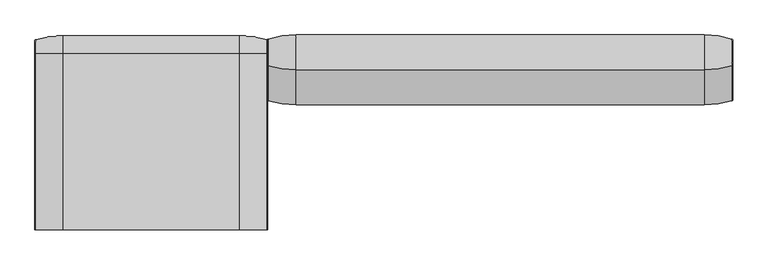
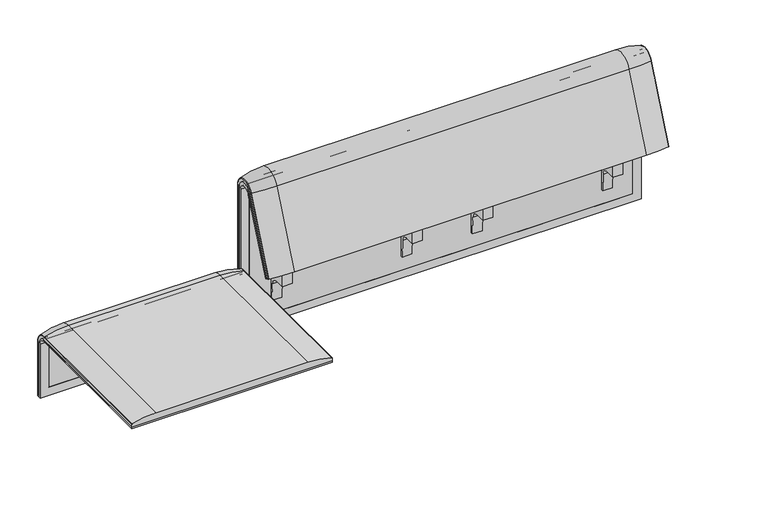
"""IFC4 building model written with IfcOpenShell, lengths in millimetres: furniture geometry."""

from ifc_helpers import new_model, si_unit, point, frame, frame_2d, origin, place, context, project, spatial, polyline, circle_curve, ellipse_curve, trimmed, segment, composite_curve, outline, extrude, source, transform, mapped, element, save
from ifc_brep_helpers import plane_surface, cylinder_surface, revolved_surface, advanced_brep


def furniture_42e95c1f(model_context):
    return source(origin(), model_context, "Body", "SolidModel", [
        extrude(outline(composite_curve([segment(trimmed(circle_curve(frame_2d((305.0000061, 379.9223263)), 30.0), [point((305.0000061, 349.9223263))], [point((335.0000061, 379.9223263))], True, "CARTESIAN"), True, "CONTINUOUS"), segment(polyline([(335.0000061, 379.9223263), (335.0000061, 515.0657595)]), True, "CONTINUOUS"), segment(trimmed(circle_curve(frame_2d((305.0000061, 515.0657595)), 30.0), [point((335.0000061, 515.0657595))], [point((316.7219399, 542.6809051))], True, "CARTESIAN"), True, "CONTINUOUS"), segment(polyline([(316.7219399, 542.6809051), (257.4911714, 567.8228747)]), True, "CONTINUOUS"), segment(trimmed(circle_curve(frame_2d((251.6302045, 554.0153019)), 15.0), [point((257.4911714, 567.8228747))], [point((238.0355877, 560.3545758))], True, "CARTESIAN"), True, "CONTINUOUS"), segment(polyline([(238.0355877, 560.3545758), (222.2725218, 526.5505721), (213.7507451, 529.5682915), (296.3054528, 724.0549949)]), True, "CONTINUOUS"), segment(trimmed(circle_curve(frame_2d((322.520748, 712.9272623)), 28.479258), [point((296.3054528, 724.0549949))], [point((351.0000061, 712.9272623))], False, "CARTESIAN"), True, "CONTINUOUS"), segment(polyline([(351.0000061, 712.9272623), (351.0000061, 197.0551771), (343.3075759, 197.0551771), (339.4064861, 271.492405)]), True, "CONTINUOUS"), segment(trimmed(circle_curve(frame_2d((309.4476, 269.9223263)), 30.0), [point((339.4064861, 271.492405))], [point((309.4476, 299.9223263))], True, "CARTESIAN"), True, "CONTINUOUS"), segment(polyline([(309.4476, 299.9223263), (270.0000061, 299.9223263), (270.0000061, 359.9223263), (275.0000061, 359.9223263)]), True, "CONTINUOUS"), segment(trimmed(circle_curve(frame_2d((285.0000061, 359.9223263)), 10.0), [point((275.0000061, 359.9223263))], [point((285.0000061, 349.9223263))], True, "CARTESIAN"), True, "CONTINUOUS"), segment(polyline([(285.0000061, 349.9223263), (305.0000061, 349.9223263)]), True, "CONTINUOUS")], self_intersect=False), holes=[composite_curve([segment(polyline([(337.5000061, 576.3274105), (337.5000061, 716.7072663)]), True, "CONTINUOUS"), segment(trimmed(circle_curve(frame_2d((322.5000061, 716.7072663)), 15.0), [point((337.5000061, 716.7072663))], [point((308.9053893, 723.0465402))], True, "CARTESIAN"), True, "CONTINUOUS"), segment(polyline([(308.9053893, 723.0465402), (253.6256191, 604.4986904)]), True, "CONTINUOUS"), segment(trimmed(circle_curve(frame_2d((271.7517748, 596.0463251)), 20.0), [point((253.6256191, 604.4986904))], [point((265.0756376, 577.1934953))], True, "CARTESIAN"), True, "CONTINUOUS"), segment(polyline([(265.0756376, 577.1934953), (314.1406626, 559.8186587)]), True, "CONTINUOUS"), segment(trimmed(circle_curve(frame_2d((319.9867182, 576.3274105)), 17.5132879), [point((314.1406626, 559.8186587))], [point((337.5000061, 576.3274105))], True, "CARTESIAN"), True, "CONTINUOUS")], self_intersect=False)]), frame((531.0360844, 0.0, 0.0), z_axis=(1.0, 0.0, 0.0), x_axis=(0.0, 1.0, 0.0)), (0.0, 0.0, 1.0), 40.0),
        extrude(outline(composite_curve([segment(trimmed(circle_curve(frame_2d((305.0000061, 379.9223263)), 30.0), [point((305.0000061, 349.9223263))], [point((335.0000061, 379.9223263))], True, "CARTESIAN"), True, "CONTINUOUS"), segment(polyline([(335.0000061, 379.9223263), (335.0000061, 515.0657595)]), True, "CONTINUOUS"), segment(trimmed(circle_curve(frame_2d((305.0000061, 515.0657595)), 30.0), [point((335.0000061, 515.0657595))], [point((316.7219399, 542.6809051))], True, "CARTESIAN"), True, "CONTINUOUS"), segment(polyline([(316.7219399, 542.6809051), (257.4911714, 567.8228747)]), True, "CONTINUOUS"), segment(trimmed(circle_curve(frame_2d((251.6302045, 554.0153019)), 15.0), [point((257.4911714, 567.8228747))], [point((238.0355877, 560.3545758))], True, "CARTESIAN"), True, "CONTINUOUS"), segment(polyline([(238.0355877, 560.3545758), (222.2725218, 526.5505721), (213.7507451, 529.5682915), (296.3054528, 724.0549949)]), True, "CONTINUOUS"), segment(trimmed(circle_curve(frame_2d((322.520748, 712.9272623)), 28.479258), [point((296.3054528, 724.0549949))], [point((351.0000061, 712.9272623))], False, "CARTESIAN"), True, "CONTINUOUS"), segment(polyline([(351.0000061, 712.9272623), (351.0000061, 197.0551771), (343.3075759, 197.0551771), (339.4064861, 271.492405)]), True, "CONTINUOUS"), segment(trimmed(circle_curve(frame_2d((309.4476, 269.9223263)), 30.0), [point((339.4064861, 271.492405))], [point((309.4476, 299.9223263))], True, "CARTESIAN"), True, "CONTINUOUS"), segment(polyline([(309.4476, 299.9223263), (270.0000061, 299.9223263), (270.0000061, 359.9223263), (275.0000061, 359.9223263)]), True, "CONTINUOUS"), segment(trimmed(circle_curve(frame_2d((285.0000061, 359.9223263)), 10.0), [point((275.0000061, 359.9223263))], [point((285.0000061, 349.9223263))], True, "CARTESIAN"), True, "CONTINUOUS"), segment(polyline([(285.0000061, 349.9223263), (305.0000061, 349.9223263)]), True, "CONTINUOUS")], self_intersect=False), holes=[composite_curve([segment(polyline([(337.5000061, 576.3274105), (337.5000061, 716.7072663)]), True, "CONTINUOUS"), segment(trimmed(circle_curve(frame_2d((322.5000061, 716.7072663)), 15.0), [point((337.5000061, 716.7072663))], [point((308.9053893, 723.0465402))], True, "CARTESIAN"), True, "CONTINUOUS"), segment(polyline([(308.9053893, 723.0465402), (253.6256191, 604.4986904)]), True, "CONTINUOUS"), segment(trimmed(circle_curve(frame_2d((271.7517748, 596.0463251)), 20.0), [point((253.6256191, 604.4986904))], [point((265.0756376, 577.1934953))], True, "CARTESIAN"), True, "CONTINUOUS"), segment(polyline([(265.0756376, 577.1934953), (314.1406626, 559.8186587)]), True, "CONTINUOUS"), segment(trimmed(circle_curve(frame_2d((319.9867182, 576.3274105)), 17.5132879), [point((314.1406626, 559.8186587))], [point((337.5000061, 576.3274105))], True, "CARTESIAN"), True, "CONTINUOUS")], self_intersect=False)]), frame((1061.025678, 0.0, 0.0), z_axis=(1.0, 0.0, 0.0), x_axis=(0.0, 1.0, 0.0)), (0.0, 0.0, 1.0), 40.0),
        advanced_brep(
        [(1224.0380498, 351.0000061, 101.8476716), (1224.0380498, 359.7858817, 101.8476716), (1224.0380498, 359.7858817, 720.3417731), (1224.0380498, 292.4403877, 733.7122262), (1224.0380498, 170.1966807, 437.98305), (1224.0380498, 175.0204081, 435.9866665), (1224.0380498, 296.2458652, 723.9869215), (1224.0380498, 351.0000061, 712.9272623), (-407.9575362, 351.0000061, 101.8476716), (-407.9575362, 351.0000061, 712.9272623), (-407.9575362, 296.2720241, 723.9759107), (-407.9575362, 175.0204081, 435.9866665), (-407.9575362, 170.1966807, 437.98305), (-407.9575362, 292.4403877, 733.7122262), (-407.9575362, 359.7858817, 720.3417731), (-407.9575362, 359.7858817, 101.8476716), (1189.1215056, 292.4403877, 733.7122262), (1189.1215056, 176.0980387, 452.25948), (-373.0740803, 176.0980387, 452.25948), (-373.0740803, 292.4403877, 733.7122262), (-373.0740803, 296.2458652, 723.9869215), (-373.0740803, 181.0136548, 450.2250668), (1189.1215056, 181.0136548, 450.2250668), (1189.1215056, 296.2458652, 723.9869215), (1189.1215056, 351.0000061, 712.9272623), (1189.1215056, 351.0000061, 135.3766997), (-373.0740803, 351.0000061, 135.3766997), (-373.0740803, 351.0000061, 712.9272623), (-373.0740803, 359.7858817, 720.3417731), (-373.0740803, 359.7858817, 135.3766997), (1189.1215056, 359.7858817, 135.3766997), (1189.1215056, 359.7858817, 720.3417731)],
        [
            (0, 1),
            (1, 2),
            (2, 3, circle_curve(frame((1224.0380498, 324.7858817, 720.3417731), z_axis=(1.0, 0.0, 0.0), x_axis=(0.0, -1.0, 0.0)), 35.0)),
            (3, 4),
            (4, 5),
            (5, 6),
            (6, 7, circle_curve(frame((1224.0380498, 322.520748, 712.9272623), z_axis=(-1.0, 0.0, 0.0), x_axis=(0.0, -1.0, 0.0)), 28.479258)),
            (7, 0),
            (8, 9),
            (9, 10, circle_curve(frame((-407.9575362, 322.520748, 712.9272623), z_axis=(1.0, 0.0, 0.0), x_axis=(0.0, -1.0, 0.0)), 28.479258)),
            (10, 11),
            (11, 12),
            (12, 13),
            (13, 14, circle_curve(frame((-407.9575362, 324.7858817, 720.3417731), z_axis=(-1.0, 0.0, 0.0), x_axis=(0.0, -1.0, 0.0)), 35.0)),
            (14, 15),
            (15, 8),
            (3, 16),
            (16, 17),
            (17, 18),
            (18, 19),
            (19, 13),
            (12, 4),
            (11, 5),
            (10, 20),
            (20, 21),
            (21, 22),
            (22, 23),
            (23, 6),
            (7, 24),
            (24, 25),
            (25, 26),
            (26, 27),
            (27, 9),
            (8, 0),
            (15, 1),
            (14, 28),
            (28, 29),
            (29, 30),
            (30, 31),
            (31, 2),
            (31, 16, circle_curve(frame((1189.1215056, 324.7858817, 720.3417731), z_axis=(1.0, 0.0, 0.0), x_axis=(0.0, -1.0, 0.0)), 35.0)),
            (19, 28, circle_curve(frame((-373.0740803, 324.7858817, 720.3417731), z_axis=(-1.0, 0.0, 0.0), x_axis=(0.0, -1.0, 0.0)), 35.0)),
            (23, 24, circle_curve(frame((1189.1215056, 322.520748, 712.9272623), z_axis=(-1.0, 0.0, 0.0), x_axis=(0.0, -1.0, 0.0)), 28.479258)),
            (27, 20, circle_curve(frame((-373.0740803, 322.520748, 712.9272623), z_axis=(1.0, 0.0, 0.0), x_axis=(0.0, -1.0, 0.0)), 28.479258)),
            (22, 17),
            (30, 25),
            (26, 29),
            (18, 21),
        ],
        [
            plane_surface(frame((1224.0380498, 359.7858817, 101.8476716), z_axis=(1.0, 0.0, 0.0), x_axis=(0.0, 1.0, 0.0))),
            plane_surface(frame((-407.9575362, 359.7858817, 101.8476716), z_axis=(-1.0, 0.0, 0.0), x_axis=(0.0, -1.0, 0.0))),
            plane_surface(frame((1224.0380498, 292.4403877, 733.7122262), z_axis=(0.0, -0.9241569717933176, 0.3820129467515535), x_axis=(-1.0, 0.0, 0.0))),
            plane_surface(frame((1224.0380498, 170.1966807, 437.98305), z_axis=(0.0, -0.3824103944198279, -0.9239925812687414), x_axis=(-1.0, 0.0, 0.0))),
            plane_surface(frame((1224.0380498, 175.0204081, 435.9866665), z_axis=(0.0, 0.921678643444566, -0.3879542218073993), x_axis=(-1.0, 0.0, 0.0))),
            plane_surface(frame((1224.0380498, 351.0000061, 712.9272623), z_axis=(0.0, -1.0, 0.0), x_axis=(-1.0, 0.0, 0.0))),
            plane_surface(frame((1224.0380498, 351.0000061, 101.8476716), z_axis=(0.0, 0.0, -1.0), x_axis=(-1.0, 0.0, 0.0))),
            plane_surface(frame((1224.0380498, 359.7858817, 101.8476716), z_axis=(0.0, 1.0, 0.0), x_axis=(-1.0, 0.0, 0.0))),
            cylinder_surface(frame((-407.9575362, 324.7858817, 720.3417731), z_axis=(1.0, 0.0, 0.0), x_axis=(0.0, -1.0, 0.0)), 35.0),
            revolved_surface(polyline([(1189.1215056, 294.04149, 712.9272623), (1224.0380498, 294.04149, 712.9272623)]), (-407.9575362, 322.520748, 712.9272623), (-1.0, 0.0, 0.0)),
            revolved_surface(polyline([(-407.9575362, 294.04149, 712.9272623), (-373.0740803, 294.04149, 712.9272623)]), (-407.9575362, 322.520748, 712.9272623), (-1.0, 0.0, 0.0)),
            plane_surface(frame((1189.1215056, 359.7858817, 135.3766997), z_axis=(-1.0, 0.0, 0.0), x_axis=(0.0, 1.0, 0.0))),
            plane_surface(frame((-373.0740803, 359.7858817, 135.3766997), z_axis=(1.0, 0.0, 0.0), x_axis=(0.0, -1.0, 0.0))),
            plane_surface(frame((1189.1215056, 166.9120641, 456.0612553), z_axis=(0.0, 0.38241039441982605, 0.9239925812687422), x_axis=(-1.0, 0.0, 0.0))),
            plane_surface(frame((1189.1215056, 344.7858817, 135.3766997), z_axis=(0.0, 0.0, 1.0), x_axis=(-1.0, 0.0, 0.0))),
        ],
        [
            (0, [[1, 2, 3, 4, 5, 6, 7, 8]]),
            (1, [[9, 10, 11, 12, 13, 14, 15, 16]]),
            (2, [[-4, 17, 18, 19, 20, 21, -13, 22]]),
            (3, [[-5, -22, -12, 23]]),
            (4, [[-6, -23, -11, 24, 25, 26, 27, 28]]),
            (5, [[-8, 29, 30, 31, 32, 33, -9, 34]]),
            (6, [[-1, -34, -16, 35]]),
            (7, [[-2, -35, -15, 36, 37, 38, 39, 40]]),
            (8, [[-3, -40, 41, -17]]),
            (8, [[-14, -21, 42, -36]]),
            (9, [[-7, -28, 43, -29]]),
            (10, [[-10, -33, 44, -24]]),
            (11, [[45, -18, -41, -39, 46, -30, -43, -27]]),
            (12, [[47, -37, -42, -20, 48, -25, -44, -32]]),
            (13, [[-45, -26, -48, -19]]),
            (14, [[-46, -38, -47, -31]]),
        ],
    ),
        advanced_brep(
        [(1189.1215056, 351.0000061, 135.3766997), (1189.1215056, 359.7858817, 135.3766997), (1189.1215056, 359.7858817, 720.3417731), (1189.1215056, 292.4403877, 733.7122262), (1189.1215056, 176.0980387, 452.25948), (1189.1215056, 181.0136548, 450.2250668), (1189.1215056, 296.2458652, 723.9869215), (1189.1215056, 351.0000061, 712.9272623), (-373.0740803, 351.0000061, 135.3766997), (-373.0740803, 351.0000061, 712.9272623), (-373.0740803, 296.2720241, 723.9759107), (-373.0740803, 181.0136548, 450.2250668), (-373.0740803, 176.0980387, 452.25948), (-373.0740803, 292.4403877, 733.7122262), (-373.0740803, 359.7858817, 720.3417731), (-373.0740803, 359.7858817, 135.3766997)],
        [
            (0, 1),
            (1, 2),
            (2, 3, circle_curve(frame((1189.1215056, 324.7858817, 720.3417731), z_axis=(1.0, 0.0, 0.0), x_axis=(0.0, -1.0, 0.0)), 35.0)),
            (3, 4),
            (4, 5),
            (5, 6),
            (6, 7, circle_curve(frame((1189.1215056, 322.520748, 712.9272623), z_axis=(-1.0, 0.0, 0.0), x_axis=(0.0, -1.0, 0.0)), 28.479258)),
            (7, 0),
            (8, 9),
            (9, 10, circle_curve(frame((-373.0740803, 322.520748, 712.9272623), z_axis=(1.0, 0.0, 0.0), x_axis=(0.0, -1.0, 0.0)), 28.479258)),
            (10, 11),
            (11, 12),
            (12, 13),
            (13, 14, circle_curve(frame((-373.0740803, 324.7858817, 720.3417731), z_axis=(-1.0, 0.0, 0.0), x_axis=(0.0, -1.0, 0.0)), 35.0)),
            (14, 15),
            (15, 8),
            (3, 13),
            (12, 4),
            (11, 5),
            (10, 6),
            (7, 9),
            (8, 0),
            (15, 1),
            (14, 2),
        ],
        [
            plane_surface(frame((1189.1215056, 359.7858817, 135.3766997), z_axis=(1.0, 0.0, 0.0), x_axis=(0.0, 1.0, 0.0))),
            plane_surface(frame((-373.0740803, 359.7858817, 135.3766997), z_axis=(-1.0, 0.0, 0.0), x_axis=(0.0, -1.0, 0.0))),
            plane_surface(frame((1189.1215056, 292.4403877, 733.7122262), z_axis=(0.0, -0.9241569717933176, 0.3820129467515535), x_axis=(-1.0, 0.0, 0.0))),
            plane_surface(frame((1189.1215056, 176.0980387, 452.25948), z_axis=(0.0, -0.38241039441982716, -0.9239925812687417), x_axis=(-1.0, 0.0, 0.0))),
            plane_surface(frame((1189.1215056, 181.0136548, 450.2250668), z_axis=(0.0, 0.921678643444566, -0.3879542218073993), x_axis=(-1.0, 0.0, 0.0))),
            plane_surface(frame((1189.1215056, 351.0000061, 712.9272623), z_axis=(0.0, -1.0, 0.0), x_axis=(-1.0, 0.0, 0.0))),
            plane_surface(frame((1189.1215056, 351.0000061, 135.3766997), z_axis=(0.0, 0.0, -1.0), x_axis=(-1.0, 0.0, 0.0))),
            plane_surface(frame((1189.1215056, 359.7858817, 135.3766997), z_axis=(0.0, 1.0, 0.0), x_axis=(-1.0, 0.0, 0.0))),
            cylinder_surface(frame((-373.0740803, 324.7858817, 720.3417731), z_axis=(1.0, 0.0, 0.0), x_axis=(0.0, -1.0, 0.0)), 35.0),
            revolved_surface(polyline([(-373.0740803, 294.04149, 712.9272623), (1189.1215056, 294.04149, 712.9272623)]), (-373.0740803, 322.520748, 712.9272623), (-1.0, 0.0, 0.0)),
        ],
        [
            (0, [[1, 2, 3, 4, 5, 6, 7, 8]]),
            (1, [[9, 10, 11, 12, 13, 14, 15, 16]]),
            (2, [[-4, 17, -13, 18]]),
            (3, [[-5, -18, -12, 19]]),
            (4, [[-6, -19, -11, 20]]),
            (5, [[-8, 21, -9, 22]]),
            (6, [[-1, -22, -16, 23]]),
            (7, [[-2, -23, -15, 24]]),
            (8, [[-3, -24, -14, -17]]),
            (9, [[-7, -20, -10, -21]]),
        ],
    ),
        extrude(outline(composite_curve([segment(trimmed(circle_curve(frame_2d((305.0000061, 379.9223263)), 30.0), [point((305.0000061, 349.9223263))], [point((335.0000061, 379.9223263))], True, "CARTESIAN"), True, "CONTINUOUS"), segment(polyline([(335.0000061, 379.9223263), (335.0000061, 515.0657595)]), True, "CONTINUOUS"), segment(trimmed(circle_curve(frame_2d((305.0000061, 515.0657595)), 30.0), [point((335.0000061, 515.0657595))], [point((316.7219399, 542.6809051))], True, "CARTESIAN"), True, "CONTINUOUS"), segment(polyline([(316.7219399, 542.6809051), (257.4911714, 567.8228747)]), True, "CONTINUOUS"), segment(trimmed(circle_curve(frame_2d((251.6302045, 554.0153019)), 15.0), [point((257.4911714, 567.8228747))], [point((238.0355877, 560.3545758))], True, "CARTESIAN"), True, "CONTINUOUS"), segment(polyline([(238.0355877, 560.3545758), (222.2725218, 526.5505721), (213.7507451, 529.5682915), (296.3054528, 724.0549949)]), True, "CONTINUOUS"), segment(trimmed(circle_curve(frame_2d((322.520748, 712.9272623)), 28.479258), [point((296.3054528, 724.0549949))], [point((351.0000061, 712.9272623))], False, "CARTESIAN"), True, "CONTINUOUS"), segment(polyline([(351.0000061, 712.9272623), (351.0000061, 197.0551771), (343.3075759, 197.0551771), (339.4064861, 271.492405)]), True, "CONTINUOUS"), segment(trimmed(circle_curve(frame_2d((309.4476, 269.9223263)), 30.0), [point((339.4064861, 271.492405))], [point((309.4476, 299.9223263))], True, "CARTESIAN"), True, "CONTINUOUS"), segment(polyline([(309.4476, 299.9223263), (270.0000061, 299.9223263), (270.0000061, 359.9223263), (275.0000061, 359.9223263)]), True, "CONTINUOUS"), segment(trimmed(circle_curve(frame_2d((285.0000061, 359.9223263)), 10.0), [point((275.0000061, 359.9223263))], [point((285.0000061, 349.9223263))], True, "CARTESIAN"), True, "CONTINUOUS"), segment(polyline([(285.0000061, 349.9223263), (305.0000061, 349.9223263)]), True, "CONTINUOUS")], self_intersect=False), holes=[composite_curve([segment(polyline([(337.5000061, 576.3274105), (337.5000061, 716.7072663)]), True, "CONTINUOUS"), segment(trimmed(circle_curve(frame_2d((322.5000061, 716.7072663)), 15.0), [point((337.5000061, 716.7072663))], [point((308.9053893, 723.0465402))], True, "CARTESIAN"), True, "CONTINUOUS"), segment(polyline([(308.9053893, 723.0465402), (253.6256191, 604.4986904)]), True, "CONTINUOUS"), segment(trimmed(circle_curve(frame_2d((271.7517748, 596.0463251)), 20.0), [point((253.6256191, 604.4986904))], [point((265.0756376, 577.1934953))], True, "CARTESIAN"), True, "CONTINUOUS"), segment(polyline([(265.0756376, 577.1934953), (314.1406626, 559.8186587)]), True, "CONTINUOUS"), segment(trimmed(circle_curve(frame_2d((319.9867182, 576.3274105)), 17.5132879), [point((314.1406626, 559.8186587))], [point((337.5000061, 576.3274105))], True, "CARTESIAN"), True, "CONTINUOUS")], self_intersect=False)]), frame((245.0113409, 0.0, 0.0), z_axis=(1.0, 0.0, 0.0), x_axis=(0.0, 1.0, 0.0)), (0.0, 0.0, 1.0), 40.0),
        advanced_brep(
        [(1124.0380498, 388.2902376, 100.5089435), (1221.8994213, 373.93893, 100.5089435), (1224.0380498, 371.0652495, 100.5089435), (1224.0380498, 359.7858817, 100.5089435), (-407.9906244, 359.7858817, 100.5089435), (-407.9906244, 371.0652495, 100.5089435), (-405.8519959, 373.93893, 100.5089435), (-307.9906244, 388.2902376, 100.5089435), (-307.9906244, 388.2902376, 720.3417731), (1124.0380498, 388.2902376, 720.3417731), (1221.8994213, 373.93893, 720.3417731), (1224.0380498, 371.0652495, 720.3417731), (1224.0380498, 282.0164812, 738.0210907), (1224.0380498, 159.7723383, 442.2908598), (1224.0380498, 170.1962447, 437.9819952), (1224.0380498, 292.4403877, 733.7122262), (1224.0380498, 359.7858817, 720.3417731), (-407.9906244, 359.7858817, 720.3417731), (1124.0380498, 143.8537454, 448.8710282), (-307.9906244, 143.8537454, 448.8710282), (-405.8519959, 157.1166065, 443.3886429), (-407.9906244, 159.7723383, 442.2908598), (-407.9906244, 170.1962447, 437.9819952), (1221.8994213, 157.1166065, 443.3886429), (1124.0380498, 266.0978884, 744.6012592), (-307.9906244, 266.0978884, 744.6012592), (1221.8994213, 279.3607494, 739.1188739), (-407.9906244, 292.4403877, 733.7122262), (-407.9906244, 282.0164812, 738.0210907), (-407.9906244, 371.0652495, 720.3417731), (-405.8519959, 373.93893, 720.3417731), (-405.8519959, 279.3607494, 739.1188739)],
        [
            (0, 1, circle_curve(frame((1124.0380498, 47.4569043, 100.5089435), z_axis=(0.0, 0.0, -1.0), x_axis=(0.0, -1.0, 0.0)), 340.8333333)),
            (1, 2, circle_curve(frame((1221.0380498, 371.0652495, 100.5089435), z_axis=(0.0, 0.0, -1.0), x_axis=(1.0, 0.0, 0.0)), 3.0)),
            (2, 3),
            (3, 4),
            (4, 5),
            (5, 6, circle_curve(frame((-404.9906244, 371.0652495, 100.5089435), z_axis=(0.0, 0.0, -1.0), x_axis=(-1.0, 0.0, 0.0)), 3.0)),
            (6, 7, circle_curve(frame((-307.9906244, 47.4569043, 100.5089435), z_axis=(0.0, 0.0, -1.0), x_axis=(0.0, -1.0, 0.0)), 340.8333333)),
            (7, 0),
            (7, 8),
            (8, 9),
            (9, 0),
            (9, 10, circle_curve(frame((1124.0380498, 47.4569043, 720.3417731), z_axis=(0.0, 0.0, -1.0), x_axis=(0.0, -1.0, 0.0)), 340.8333333)),
            (10, 1),
            (10, 11, circle_curve(frame((1221.0380498, 371.0652495, 720.3417731), z_axis=(0.0, 0.0, -1.0), x_axis=(1.0, 0.0, 0.0)), 3.0)),
            (11, 2),
            (11, 12, circle_curve(frame((1224.0380498, 324.7858817, 720.3417731), z_axis=(1.0, 0.0, 0.0), x_axis=(0.0, 1.0, 0.0)), 46.2793679)),
            (12, 13),
            (13, 14),
            (14, 15),
            (15, 16, circle_curve(frame((1224.0380498, 324.7858817, 720.3417731), z_axis=(-1.0, 0.0, 0.0), x_axis=(0.0, 1.0, 0.0)), 35.0)),
            (16, 3),
            (16, 17),
            (17, 4),
            (18, 19),
            (19, 20, circle_curve(frame((-307.9906244, 458.8372467, 318.6682822), z_axis=(0.0, -0.38201294675155345, -0.9241569717933176), x_axis=(0.0, 0.9241569717933176, -0.38201294675155345)), 340.8333333)),
            (20, 21, circle_curve(frame((-404.9906244, 159.7723383, 442.2908598), z_axis=(0.0, -0.38201294675155345, -0.9241569717933176), x_axis=(-1.0, 0.0, 0.0)), 3.0)),
            (21, 22),
            (22, 14),
            (13, 23, circle_curve(frame((1221.0380498, 159.7723383, 442.2908598), z_axis=(0.0, -0.38201294675155345, -0.9241569717933176), x_axis=(1.0, 0.0, 0.0)), 3.0)),
            (23, 18, circle_curve(frame((1124.0380498, 458.8372467, 318.6682822), z_axis=(0.0, -0.38201294675155345, -0.9241569717933176), x_axis=(0.0, 0.9241569717933176, -0.38201294675155345)), 340.8333333)),
            (24, 9, circle_curve(frame((1124.0380498, 324.7858817, 720.3417731), z_axis=(-1.0, 0.0, 0.0), x_axis=(0.0, 1.0, 0.0)), 63.5043559)),
            (8, 25, circle_curve(frame((-307.9906244, 324.7858817, 720.3417731), z_axis=(1.0, 0.0, 0.0), x_axis=(0.0, 1.0, 0.0)), 63.5043559)),
            (25, 24),
            (26, 10, circle_curve(frame((1221.8994213, 324.7858817, 720.3417731), z_axis=(-1.0, 0.0, 0.0), x_axis=(0.0, 1.0, 0.0)), 49.1530483)),
            (24, 26, circle_curve(frame((1124.0380498, 581.0813896, 614.3985132), z_axis=(0.0, 0.3820129467515556, 0.9241569717933167), x_axis=(0.0, 0.9241569717933167, -0.3820129467515556)), 340.8333333)),
            (26, 12, circle_curve(frame((1221.0380498, 282.0164812, 738.0210907), z_axis=(0.0, 0.3820129467515548, 0.924156971793317), x_axis=(1.0, 0.0, 0.0)), 3.0)),
            (27, 17, circle_curve(frame((-407.9906244, 324.7858817, 720.3417731), z_axis=(-1.0, 0.0, 0.0), x_axis=(0.0, 1.0, 0.0)), 35.0)),
            (15, 27),
            (25, 19),
            (18, 24),
            (23, 26),
            (22, 27),
            (21, 28),
            (28, 29, circle_curve(frame((-407.9906244, 324.7858817, 720.3417731), z_axis=(-1.0, 0.0, 0.0), x_axis=(0.0, 1.0, 0.0)), 46.2793679)),
            (29, 5),
            (29, 30, circle_curve(frame((-404.9906244, 371.0652495, 720.3417731), z_axis=(0.0, 0.0, -1.0), x_axis=(-1.0, 0.0, 0.0)), 3.0)),
            (30, 6),
            (30, 8, circle_curve(frame((-307.9906244, 47.4569043, 720.3417731), z_axis=(0.0, 0.0, -1.0), x_axis=(0.0, -1.0, 0.0)), 340.8333333)),
            (31, 30, circle_curve(frame((-405.8519959, 324.7858817, 720.3417731), z_axis=(-1.0, 0.0, 0.0), x_axis=(0.0, 1.0, 0.0)), 49.1530483)),
            (28, 31, circle_curve(frame((-404.9906244, 282.0164812, 738.0210907), z_axis=(0.0, 0.382012946751554, 0.9241569717933174), x_axis=(-1.0, 0.0, 0.0)), 3.0)),
            (31, 25, circle_curve(frame((-307.9906244, 581.0813896, 614.3985132), z_axis=(0.0, 0.382012946751554, 0.9241569717933174), x_axis=(0.0, 0.9241569717933174, -0.382012946751554)), 340.8333333)),
            (20, 31),
        ],
        [
            plane_surface(frame((4.7815674, 359.7858817, 100.5089435), z_axis=(0.0, 0.0, -1.0), x_axis=(1.0, 0.0, 0.0))),
            plane_surface(frame((-307.9906244, 388.2902376, 100.5089435), z_axis=(0.0, 1.0, 0.0), x_axis=(0.0, 0.0, 1.0))),
            cylinder_surface(frame((1124.0380498, 47.4569043, 100.5089435), z_axis=(0.0, 0.0, -1.0), x_axis=(0.0, -1.0, 0.0)), 340.8333333),
            cylinder_surface(frame((1221.0380498, 371.0652495, 100.5089435), z_axis=(0.0, 0.0, -1.0), x_axis=(1.0, 0.0, 0.0)), 3.0),
            plane_surface(frame((1224.0380498, 371.0652495, 100.5089435), z_axis=(1.0, 0.0, 0.0), x_axis=(0.0, 0.0, 1.0))),
            plane_surface(frame((1224.0380498, 359.7858817, 100.5089435), z_axis=(0.0, -1.0, 0.0), x_axis=(0.0, 0.0, 1.0))),
            plane_surface(frame((4.7815674, 170.1962447, 437.9819952), z_axis=(0.0, -0.38201294675155345, -0.9241569717933176), x_axis=(1.0, 0.0, 0.0))),
            cylinder_surface(frame((4.7815674, 324.7858817, 720.3417731), z_axis=(1.0, 0.0, 0.0), x_axis=(0.0, 1.0, 0.0)), 63.5043559),
            revolved_surface(trimmed(ellipse_curve(frame((1124.0380498, 47.4569043, 720.3417731), z_axis=(0.0, 0.0, -1.0), x_axis=(0.0, -1.0, 0.0)), 340.8333333, 340.8333333), [point((1124.0380498, 388.2902376, 720.3417731))], [point((1221.8994213, 373.93893, 720.3417731))], True, "CARTESIAN"), (4.7815674, 324.7858817, 720.3417731), (1.0, 0.0, 0.0)),
            revolved_surface(trimmed(ellipse_curve(frame((1221.0380498, 371.0652495, 720.3417731), z_axis=(0.0, 0.0, -1.0), x_axis=(1.0, 0.0, 0.0)), 3.0, 3.0), [point((1221.8994213, 373.93893, 720.3417731))], [point((1224.0380498, 371.0652495, 720.3417731))], True, "CARTESIAN"), (4.7815674, 324.7858817, 720.3417731), (1.0, 0.0, 0.0)),
            revolved_surface(polyline([(1224.0380498, 359.7858817, 720.3417731), (-407.9906244, 359.7858817, 720.3417731)]), (4.7815674, 324.7858817, 720.3417731), (1.0, 0.0, 0.0)),
            plane_surface(frame((-307.9906244, 266.0978884, 744.6012592), z_axis=(0.0, -0.9241569717933174, 0.38201294675155406), x_axis=(0.0, -0.38201294675155406, -0.9241569717933174))),
            cylinder_surface(frame((1124.0380498, 581.0813896, 614.3985132), z_axis=(0.0, 0.38201294675155345, 0.9241569717933176), x_axis=(0.0, 0.9241569717933176, -0.38201294675155345)), 340.8333333),
            cylinder_surface(frame((1221.0380498, 282.0164812, 738.0210907), z_axis=(0.0, 0.38201294675155345, 0.9241569717933176), x_axis=(1.0, 0.0, 0.0)), 3.0),
            plane_surface(frame((1224.0380498, 292.4403877, 733.7122262), z_axis=(0.0, 0.9241569717933175, -0.3820129467515539), x_axis=(0.0, -0.3820129467515539, -0.9241569717933175))),
            plane_surface(frame((-407.9906244, 359.7858817, 100.5089435), z_axis=(-1.0, 0.0, 0.0), x_axis=(0.0, 0.0, 1.0))),
            cylinder_surface(frame((-404.9906244, 371.0652495, 100.5089435), z_axis=(0.0, 0.0, -1.0), x_axis=(-1.0, 0.0, 0.0)), 3.0),
            cylinder_surface(frame((-307.9906244, 47.4569043, 100.5089435), z_axis=(0.0, 0.0, -1.0), x_axis=(0.0, -1.0, 0.0)), 340.8333333),
            revolved_surface(trimmed(ellipse_curve(frame((-404.9906244, 371.0652495, 720.3417731), z_axis=(0.0, 0.0, -1.0), x_axis=(-1.0, 0.0, 0.0)), 3.0, 3.0), [point((-407.9906244, 371.0652495, 720.3417731))], [point((-405.8519959, 373.93893, 720.3417731))], True, "CARTESIAN"), (4.7815674, 324.7858817, 720.3417731), (1.0, 0.0, 0.0)),
            revolved_surface(trimmed(ellipse_curve(frame((-307.9906244, 47.4569043, 720.3417731), z_axis=(0.0, 0.0, -1.0), x_axis=(0.0, -1.0, 0.0)), 340.8333333, 340.8333333), [point((-405.8519959, 373.93893, 720.3417731))], [point((-307.9906244, 388.2902376, 720.3417731))], True, "CARTESIAN"), (4.7815674, 324.7858817, 720.3417731), (1.0, 0.0, 0.0)),
            cylinder_surface(frame((-404.9906244, 282.0164812, 738.0210907), z_axis=(0.0, 0.38201294675155345, 0.9241569717933176), x_axis=(-1.0, 0.0, 0.0)), 3.0),
            cylinder_surface(frame((-307.9906244, 581.0813896, 614.3985132), z_axis=(0.0, 0.38201294675155345, 0.9241569717933176), x_axis=(0.0, 0.9241569717933176, -0.38201294675155345)), 340.8333333),
        ],
        [
            (0, [[1, 2, 3, 4, 5, 6, 7, 8]]),
            (1, [[-8, 9, 10, 11]]),
            (2, [[-1, -11, 12, 13]]),
            (3, [[-2, -13, 14, 15]]),
            (4, [[-3, -15, 16, 17, 18, 19, 20, 21]]),
            (5, [[-4, -21, 22, 23]]),
            (6, [[24, 25, 26, 27, 28, -18, 29, 30]]),
            (7, [[31, -10, 32, 33]]),
            (8, [[34, -12, -31, 35]]),
            (9, [[-16, -14, -34, 36]]),
            (10, [[37, -22, -20, 38]]),
            (11, [[-33, 39, -24, 40]]),
            (12, [[-35, -40, -30, 41]]),
            (13, [[-36, -41, -29, -17]]),
            (14, [[-38, -19, -28, 42]]),
            (15, [[-5, -23, -37, -42, -27, 43, 44, 45]]),
            (16, [[-6, -45, 46, 47]]),
            (17, [[-7, -47, 48, -9]]),
            (18, [[49, -46, -44, 50]]),
            (19, [[-32, -48, -49, 51]]),
            (20, [[-50, -43, -26, 52]]),
            (21, [[-51, -52, -25, -39]]),
        ],
    ),
        extrude(outline(composite_curve([segment(trimmed(circle_curve(frame_2d((305.0000061, 379.9223263)), 30.0), [point((305.0000061, 349.9223263))], [point((335.0000061, 379.9223263))], True, "CARTESIAN"), True, "CONTINUOUS"), segment(polyline([(335.0000061, 379.9223263), (335.0000061, 515.0657595)]), True, "CONTINUOUS"), segment(trimmed(circle_curve(frame_2d((305.0000061, 515.0657595)), 30.0), [point((335.0000061, 515.0657595))], [point((316.7219399, 542.6809051))], True, "CARTESIAN"), True, "CONTINUOUS"), segment(polyline([(316.7219399, 542.6809051), (257.4911714, 567.8228747)]), True, "CONTINUOUS"), segment(trimmed(circle_curve(frame_2d((251.6302045, 554.0153019)), 15.0), [point((257.4911714, 567.8228747))], [point((238.0355877, 560.3545758))], True, "CARTESIAN"), True, "CONTINUOUS"), segment(polyline([(238.0355877, 560.3545758), (222.2725218, 526.5505721), (213.7507451, 529.5682915), (296.3054528, 724.0549949)]), True, "CONTINUOUS"), segment(trimmed(circle_curve(frame_2d((322.520748, 712.9272623)), 28.479258), [point((296.3054528, 724.0549949))], [point((351.0000061, 712.9272623))], False, "CARTESIAN"), True, "CONTINUOUS"), segment(polyline([(351.0000061, 712.9272623), (351.0000061, 197.0551771), (343.3075759, 197.0551771), (339.4064861, 271.492405)]), True, "CONTINUOUS"), segment(trimmed(circle_curve(frame_2d((309.4476, 269.9223263)), 30.0), [point((339.4064861, 271.492405))], [point((309.4476, 299.9223263))], True, "CARTESIAN"), True, "CONTINUOUS"), segment(polyline([(309.4476, 299.9223263), (270.0000061, 299.9223263), (270.0000061, 359.9223263), (275.0000061, 359.9223263)]), True, "CONTINUOUS"), segment(trimmed(circle_curve(frame_2d((285.0000061, 359.9223263)), 10.0), [point((275.0000061, 359.9223263))], [point((285.0000061, 349.9223263))], True, "CARTESIAN"), True, "CONTINUOUS"), segment(polyline([(285.0000061, 349.9223263), (305.0000061, 349.9223263)]), True, "CONTINUOUS")], self_intersect=False), holes=[composite_curve([segment(polyline([(337.5000061, 576.3274105), (337.5000061, 716.7072663)]), True, "CONTINUOUS"), segment(trimmed(circle_curve(frame_2d((322.5000061, 716.7072663)), 15.0), [point((337.5000061, 716.7072663))], [point((308.9053893, 723.0465402))], True, "CARTESIAN"), True, "CONTINUOUS"), segment(polyline([(308.9053893, 723.0465402), (253.6256191, 604.4986904)]), True, "CONTINUOUS"), segment(trimmed(circle_curve(frame_2d((271.7517748, 596.0463251)), 20.0), [point((253.6256191, 604.4986904))], [point((265.0756376, 577.1934953))], True, "CARTESIAN"), True, "CONTINUOUS"), segment(polyline([(265.0756376, 577.1934953), (314.1406626, 559.8186587)]), True, "CONTINUOUS"), segment(trimmed(circle_curve(frame_2d((319.9867182, 576.3274105)), 17.5132879), [point((314.1406626, 559.8186587))], [point((337.5000061, 576.3274105))], True, "CARTESIAN"), True, "CONTINUOUS")], self_intersect=False)]), frame((-284.9782527, 0.0, 0.0), z_axis=(1.0, 0.0, 0.0), x_axis=(0.0, 1.0, 0.0)), (0.0, 0.0, 1.0), 40.0),
        advanced_brep(
        [(-1223.9718733, -295.0, 359.922434), (-1223.9718733, -295.0, 366.172434), (-1223.9718733, 324.3858663, 366.172434), (-1223.9718733, 357.5, 333.0583003), (-1223.9718733, 357.5, 100.5089435), (-1223.9718733, 351.0, 100.5089435), (-1223.9718733, 351.0, 332.6742277), (-1223.9718733, 323.7517936, 359.922434), (-407.9906244, -295.0, 359.922434), (-407.9906244, 323.7517936, 359.922434), (-407.9906244, 351.0, 332.6742277), (-407.9906244, 351.0, 100.5089435), (-407.9906244, 357.5, 100.5089435), (-407.9906244, 357.5, 333.0583003), (-407.9906244, 324.3858663, 366.172434), (-407.9906244, -295.0, 366.172434), (-442.8906244, 324.3858663, 366.172434), (-442.8906244, -260.0, 366.172434), (-1189.0718733, -260.0, 366.172434), (-1189.0718733, 324.3858663, 366.172434), (-1189.0718733, 357.5, 333.0583003), (-442.8906244, 357.5, 333.0583003), (-1189.0718733, 357.5, 135.3766997), (-442.8906244, 357.5, 135.3766997), (-442.8906244, 351.0, 332.6742277), (-442.8906244, 351.0, 135.3766997), (-1189.0718733, 351.0, 135.3766997), (-1189.0718733, 351.0, 332.6742277), (-1189.0718733, 323.7517936, 359.922434), (-442.8906244, 323.7517936, 359.922434), (-1189.0718733, -260.0, 359.922434), (-442.8906244, -260.0, 359.922434)],
        [
            (0, 1),
            (1, 2),
            (2, 3, circle_curve(frame((-1223.9718733, 324.3858663, 333.0583003), z_axis=(-1.0, 0.0, 0.0), x_axis=(0.0, 1.0, 0.0)), 33.1141337)),
            (3, 4),
            (4, 5),
            (5, 6),
            (6, 7, circle_curve(frame((-1223.9718733, 323.7517936, 332.6742277), z_axis=(1.0, 0.0, 0.0), x_axis=(0.0, 1.0, 0.0)), 27.2482064)),
            (7, 0),
            (8, 9),
            (9, 10, circle_curve(frame((-407.9906244, 323.7517936, 332.6742277), z_axis=(-1.0, 0.0, 0.0), x_axis=(0.0, 1.0, 0.0)), 27.2482064)),
            (10, 11),
            (11, 12),
            (12, 13),
            (13, 14, circle_curve(frame((-407.9906244, 324.3858663, 333.0583003), z_axis=(1.0, 0.0, 0.0), x_axis=(0.0, 1.0, 0.0)), 33.1141337)),
            (14, 15),
            (15, 8),
            (0, 8),
            (15, 1),
            (14, 16),
            (16, 17),
            (17, 18),
            (18, 19),
            (19, 2),
            (19, 20, circle_curve(frame((-1189.0718733, 324.3858663, 333.0583003), z_axis=(-1.0, 0.0, 0.0), x_axis=(0.0, 1.0, 0.0)), 33.1141337)),
            (20, 3),
            (13, 21),
            (21, 16, circle_curve(frame((-442.8906244, 324.3858663, 333.0583003), z_axis=(1.0, 0.0, 0.0), x_axis=(0.0, 1.0, 0.0)), 33.1141337)),
            (20, 22),
            (22, 23),
            (23, 21),
            (12, 4),
            (11, 5),
            (10, 24),
            (24, 25),
            (25, 26),
            (26, 27),
            (27, 6),
            (27, 28, circle_curve(frame((-1189.0718733, 323.7517936, 332.6742277), z_axis=(1.0, 0.0, 0.0), x_axis=(0.0, 1.0, 0.0)), 27.2482064)),
            (28, 7),
            (9, 29),
            (29, 24, circle_curve(frame((-442.8906244, 323.7517936, 332.6742277), z_axis=(-1.0, 0.0, 0.0), x_axis=(0.0, 1.0, 0.0)), 27.2482064)),
            (28, 30),
            (30, 31),
            (31, 29),
            (26, 22),
            (18, 30),
            (31, 17),
            (23, 25),
        ],
        [
            plane_surface(frame((-1223.9718733, 296.9265415, 359.922434), z_axis=(-1.0, 0.0, 0.0), x_axis=(0.0, 1.0, 0.0))),
            plane_surface(frame((-407.9906244, 296.9265415, 359.922434), z_axis=(1.0, 0.0, 0.0), x_axis=(0.0, -1.0, 0.0))),
            plane_surface(frame((-1223.9718733, -295.0, 366.172434), z_axis=(0.0, -1.0, 0.0), x_axis=(1.0, 0.0, 0.0))),
            plane_surface(frame((-1223.9718733, 324.3858663, 366.172434), z_axis=(0.0, 0.0, 1.0), x_axis=(1.0, 0.0, 0.0))),
            cylinder_surface(frame((-407.9906244, 324.3858663, 333.0583003), z_axis=(-1.0, 0.0, 0.0), x_axis=(0.0, 1.0, 0.0)), 33.1141337),
            plane_surface(frame((-1223.9718733, 357.5, 100.5089435), z_axis=(0.0, 1.0, 0.0), x_axis=(1.0, 0.0, 0.0))),
            plane_surface(frame((-1223.9718733, 351.0, 100.5089435), z_axis=(0.0, 0.0, -1.0), x_axis=(1.0, 0.0, 0.0))),
            plane_surface(frame((-1223.9718733, 351.0, 332.6742277), z_axis=(0.0, -1.0, 0.0), x_axis=(1.0, 0.0, 0.0))),
            revolved_surface(polyline([(-1189.0718733, 351.0, 332.6742277), (-1223.9718733, 351.0, 332.6742277)]), (-407.9906244, 323.7517936, 332.6742277), (1.0, 0.0, 0.0)),
            revolved_surface(polyline([(-407.9906244, 351.0, 332.6742277), (-442.8906244, 351.0, 332.6742277)]), (-407.9906244, 323.7517936, 332.6742277), (1.0, 0.0, 0.0)),
            plane_surface(frame((-1223.9718733, -295.0, 359.922434), z_axis=(0.0, 0.0, -1.0), x_axis=(1.0, 0.0, 0.0))),
            plane_surface(frame((-1189.0718733, 296.9265415, 359.922434), z_axis=(1.0, 0.0, 0.0), x_axis=(0.0, 1.0, 0.0))),
            plane_surface(frame((-442.8906244, 296.9265415, 359.922434), z_axis=(-1.0, 0.0, 0.0), x_axis=(0.0, -1.0, 0.0))),
            plane_surface(frame((-1189.0718733, -260.0, 366.172434), z_axis=(0.0, 1.0, 0.0), x_axis=(1.0, 0.0, 0.0))),
            plane_surface(frame((-1189.0718733, 351.0, 135.3766997), z_axis=(0.0, 0.0, 1.0), x_axis=(1.0, 0.0, 0.0))),
        ],
        [
            (0, [[1, 2, 3, 4, 5, 6, 7, 8]]),
            (1, [[9, 10, 11, 12, 13, 14, 15, 16]]),
            (2, [[17, -16, 18, -1]]),
            (3, [[-18, -15, 19, 20, 21, 22, 23, -2]]),
            (4, [[-23, 24, 25, -3]]),
            (4, [[26, 27, -19, -14]]),
            (5, [[-25, 28, 29, 30, -26, -13, 31, -4]]),
            (6, [[-31, -12, 32, -5]]),
            (7, [[-32, -11, 33, 34, 35, 36, 37, -6]]),
            (8, [[-37, 38, 39, -7]]),
            (9, [[40, 41, -33, -10]]),
            (10, [[-39, 42, 43, 44, -40, -9, -17, -8]]),
            (11, [[-42, -38, -36, 45, -28, -24, -22, 46]]),
            (12, [[-34, -41, -44, 47, -20, -27, -30, 48]]),
            (13, [[-21, -47, -43, -46]]),
            (14, [[-35, -48, -29, -45]]),
        ],
    ),
        extrude(outline(composite_curve([segment(polyline([(-260.0, 359.922434), (-260.0, 366.172434), (324.3858663, 366.172434)]), True, "CONTINUOUS"), segment(trimmed(circle_curve(frame_2d((324.3858663, 333.0583003)), 33.1141337), [point((324.3858663, 366.172434))], [point((357.5, 333.0583003))], False, "CARTESIAN"), True, "CONTINUOUS"), segment(polyline([(357.5, 333.0583003), (357.5, 135.3766997), (351.0, 135.3766997), (351.0, 332.6742277)]), True, "CONTINUOUS"), segment(trimmed(circle_curve(frame_2d((323.7517936, 332.6742277)), 27.2482064), [point((351.0, 332.6742277))], [point((323.7517936, 359.922434))], True, "CARTESIAN"), True, "CONTINUOUS"), segment(polyline([(323.7517936, 359.922434), (-260.0, 359.922434)]), True, "CONTINUOUS")], self_intersect=False)), frame((-1189.0718733, 0.0, 0.0), z_axis=(1.0, 0.0, 0.0), x_axis=(0.0, 1.0, 0.0)), (0.0, 0.0, 1.0), 746.1812488),
        advanced_brep(
        [(-1223.9718733, 368.7793679, 100.5089435), (-1221.8332448, 371.6530483, 100.5089435), (-1123.9718733, 386.0043559, 100.5089435), (-507.9906244, 386.0043559, 100.5089435), (-410.1292529, 371.6530483, 100.5089435), (-407.9906244, 368.7793679, 100.5089435), (-407.9906244, 357.5, 100.5089435), (-1223.9718733, 357.5, 100.5089435), (-1223.9718733, -295.0, 377.4518019), (-1223.9718733, -295.0, 366.172434), (-407.9906244, -295.0, 366.172434), (-407.9906244, -295.0, 377.4518019), (-410.1292529, -295.0, 380.3254823), (-507.9906244, -295.0, 394.67679), (-1123.9718733, -295.0, 394.67679), (-1221.8332448, -295.0, 380.3254823), (-1223.9718733, 357.5, 333.0583003), (-1223.9718733, 324.3858663, 366.172434), (-1223.9718733, 324.3858663, 377.4518019), (-1223.9718733, 368.7793679, 333.0583003), (-407.9906244, 357.5, 333.0583003), (-1123.9718733, 386.0043559, 333.0583003), (-507.9906244, 386.0043559, 333.0583003), (-1221.8332448, 371.6530483, 333.0583003), (-407.9906244, 324.3858663, 366.172434), (-1123.9718733, 324.3858663, 394.67679), (-507.9906244, 324.3858663, 394.67679), (-1221.8332448, 324.3858663, 380.3254823), (-407.9906244, 368.7793679, 333.0583003), (-407.9906244, 324.3858663, 377.4518019), (-410.1292529, 371.6530483, 333.0583003), (-410.1292529, 324.3858663, 380.3254823)],
        [
            (0, 1, circle_curve(frame((-1220.9718733, 368.7793679, 100.5089435), z_axis=(0.0, 0.0, -1.0), x_axis=(1.0, 0.0, 0.0)), 3.0)),
            (1, 2, circle_curve(frame((-1123.9718733, 45.1710226, 100.5089435), z_axis=(0.0, 0.0, -1.0), x_axis=(0.0, -1.0, 0.0)), 340.8333333)),
            (2, 3),
            (3, 4, circle_curve(frame((-507.9906244, 45.1710226, 100.5089435), z_axis=(0.0, 0.0, -1.0), x_axis=(0.0, -1.0, 0.0)), 340.8333333)),
            (4, 5, circle_curve(frame((-410.9906244, 368.7793679, 100.5089435), z_axis=(0.0, 0.0, -1.0), x_axis=(-1.0, 0.0, 0.0)), 3.0)),
            (5, 6),
            (6, 7),
            (7, 0),
            (8, 9),
            (9, 10),
            (10, 11),
            (11, 12, circle_curve(frame((-410.9906244, -295.0, 377.4518019), z_axis=(0.0, -1.0, 0.0), x_axis=(-1.0, 0.0, 0.0)), 3.0)),
            (12, 13, circle_curve(frame((-507.9906244, -295.0, 53.8434566), z_axis=(0.0, -1.0, 0.0), x_axis=(0.0, 0.0, -1.0)), 340.8333333)),
            (13, 14),
            (14, 15, circle_curve(frame((-1123.9718733, -295.0, 53.8434566), z_axis=(0.0, -1.0, 0.0), x_axis=(0.0, 0.0, -1.0)), 340.8333333)),
            (15, 8, circle_curve(frame((-1220.9718733, -295.0, 377.4518019), z_axis=(0.0, -1.0, 0.0), x_axis=(1.0, 0.0, 0.0)), 3.0)),
            (7, 16),
            (16, 17, circle_curve(frame((-1223.9718733, 324.3858663, 333.0583003), z_axis=(1.0, 0.0, 0.0), x_axis=(0.0, 1.0, 0.0)), 33.1141337)),
            (17, 9),
            (8, 18),
            (18, 19, circle_curve(frame((-1223.9718733, 324.3858663, 333.0583003), z_axis=(-1.0, 0.0, 0.0), x_axis=(0.0, 1.0, 0.0)), 44.3935016)),
            (19, 0),
            (6, 20),
            (20, 16),
            (2, 21),
            (21, 22),
            (22, 3),
            (1, 23),
            (23, 21, circle_curve(frame((-1123.9718733, 45.1710226, 333.0583003), z_axis=(0.0, 0.0, -1.0), x_axis=(0.0, -1.0, 0.0)), 340.8333333)),
            (19, 23, circle_curve(frame((-1220.9718733, 368.7793679, 333.0583003), z_axis=(0.0, 0.0, -1.0), x_axis=(1.0, 0.0, 0.0)), 3.0)),
            (24, 17),
            (20, 24, circle_curve(frame((-407.9906244, 324.3858663, 333.0583003), z_axis=(1.0, 0.0, 0.0), x_axis=(0.0, 1.0, 0.0)), 33.1141337)),
            (25, 26),
            (26, 22, circle_curve(frame((-507.9906244, 324.3858663, 333.0583003), z_axis=(-1.0, 0.0, 0.0), x_axis=(0.0, 1.0, 0.0)), 61.6184897)),
            (21, 25, circle_curve(frame((-1123.9718733, 324.3858663, 333.0583003), z_axis=(1.0, 0.0, 0.0), x_axis=(0.0, 1.0, 0.0)), 61.6184897)),
            (27, 25, circle_curve(frame((-1123.9718733, 324.3858663, 53.8434566), z_axis=(0.0, 1.0, 0.0), x_axis=(0.0, 0.0, -1.0)), 340.8333333)),
            (23, 27, circle_curve(frame((-1221.8332448, 324.3858663, 333.0583003), z_axis=(1.0, 0.0, 0.0), x_axis=(0.0, 1.0, 0.0)), 47.267182)),
            (18, 27, circle_curve(frame((-1220.9718733, 324.3858663, 377.4518019), z_axis=(0.0, 1.0, 0.0), x_axis=(1.0, 0.0, 0.0)), 3.0)),
            (24, 10),
            (25, 14),
            (13, 26),
            (27, 15),
            (5, 28),
            (28, 29, circle_curve(frame((-407.9906244, 324.3858663, 333.0583003), z_axis=(1.0, 0.0, 0.0), x_axis=(0.0, 1.0, 0.0)), 44.3935016)),
            (29, 11),
            (4, 30),
            (30, 28, circle_curve(frame((-410.9906244, 368.7793679, 333.0583003), z_axis=(0.0, 0.0, -1.0), x_axis=(-1.0, 0.0, 0.0)), 3.0)),
            (22, 30, circle_curve(frame((-507.9906244, 45.1710226, 333.0583003), z_axis=(0.0, 0.0, -1.0), x_axis=(0.0, -1.0, 0.0)), 340.8333333)),
            (31, 29, circle_curve(frame((-410.9906244, 324.3858663, 377.4518019), z_axis=(0.0, 1.0, 0.0), x_axis=(-1.0, 0.0, 0.0)), 3.0)),
            (30, 31, circle_curve(frame((-410.1292529, 324.3858663, 333.0583003), z_axis=(1.0, 0.0, 0.0), x_axis=(0.0, 1.0, 0.0)), 47.267182)),
            (26, 31, circle_curve(frame((-507.9906244, 324.3858663, 53.8434566), z_axis=(0.0, 1.0, 0.0), x_axis=(0.0, 0.0, -1.0)), 340.8333333)),
            (31, 12),
        ],
        [
            plane_surface(frame((-1223.9718733, 357.5, 100.5089435), z_axis=(0.0, 0.0, -1.0), x_axis=(1.0, 0.0, 0.0))),
            plane_surface(frame((-1223.9718733, -295.0, 366.172434), z_axis=(0.0, -1.0, 0.0), x_axis=(1.0, 0.0, 0.0))),
            plane_surface(frame((-1223.9718733, 368.7793679, 100.5089435), z_axis=(-1.0, 0.0, 0.0), x_axis=(0.0, 0.0, 1.0))),
            plane_surface(frame((-1223.9718733, 357.5, 100.5089435), z_axis=(0.0, -1.0, 0.0), x_axis=(0.0, 0.0, 1.0))),
            plane_surface(frame((-507.9906244, 386.0043559, 100.5089435), z_axis=(0.0, 1.0, 0.0), x_axis=(0.0, 0.0, 1.0))),
            cylinder_surface(frame((-1123.9718733, 45.1710226, 100.5089435), z_axis=(0.0, 0.0, -1.0), x_axis=(0.0, -1.0, 0.0)), 340.8333333),
            cylinder_surface(frame((-1220.9718733, 368.7793679, 100.5089435), z_axis=(0.0, 0.0, -1.0), x_axis=(1.0, 0.0, 0.0)), 3.0),
            revolved_surface(polyline([(-1223.9718733, 357.5, 333.0583003), (-407.9906244, 357.5, 333.0583003)]), (-1223.9718733, 324.3858663, 333.0583003), (-1.0, 0.0, 0.0)),
            cylinder_surface(frame((-1223.9718733, 324.3858663, 333.0583003), z_axis=(-1.0, 0.0, 0.0), x_axis=(0.0, 1.0, 0.0)), 61.6184897),
            revolved_surface(trimmed(ellipse_curve(frame((-1123.9718733, 45.1710226, 333.0583003), z_axis=(0.0, 0.0, 1.0), x_axis=(0.0, -1.0, 0.0)), 340.8333333, 340.8333333), [point((-1123.9718733, 386.0043559, 333.0583003))], [point((-1221.8332448, 371.6530483, 333.0583003))], True, "CARTESIAN"), (-1223.9718733, 324.3858663, 333.0583003), (-1.0, 0.0, 0.0)),
            revolved_surface(trimmed(ellipse_curve(frame((-1220.9718733, 368.7793679, 333.0583003), z_axis=(0.0, 0.0, 1.0), x_axis=(1.0, 0.0, 0.0)), 3.0, 3.0), [point((-1221.8332448, 371.6530483, 333.0583003))], [point((-1223.9718733, 368.7793679, 333.0583003))], True, "CARTESIAN"), (-1223.9718733, 324.3858663, 333.0583003), (-1.0, 0.0, 0.0)),
            plane_surface(frame((-1223.9718733, 324.3858663, 366.172434), z_axis=(0.0, 0.0, -1.0), x_axis=(0.0, -1.0, 0.0))),
            plane_surface(frame((-507.9906244, 324.3858663, 394.67679), z_axis=(0.0, 0.0, 1.0), x_axis=(0.0, -1.0, 0.0))),
            cylinder_surface(frame((-1123.9718733, 324.3858663, 53.8434566), z_axis=(0.0, 1.0, 0.0), x_axis=(0.0, 0.0, -1.0)), 340.8333333),
            cylinder_surface(frame((-1220.9718733, 324.3858663, 377.4518019), z_axis=(0.0, 1.0, 0.0), x_axis=(1.0, 0.0, 0.0)), 3.0),
            plane_surface(frame((-407.9906244, 357.5, 100.5089435), z_axis=(1.0, 0.0, 0.0), x_axis=(0.0, 0.0, 1.0))),
            cylinder_surface(frame((-410.9906244, 368.7793679, 100.5089435), z_axis=(0.0, 0.0, -1.0), x_axis=(-1.0, 0.0, 0.0)), 3.0),
            cylinder_surface(frame((-507.9906244, 45.1710226, 100.5089435), z_axis=(0.0, 0.0, -1.0), x_axis=(0.0, -1.0, 0.0)), 340.8333333),
            revolved_surface(trimmed(ellipse_curve(frame((-410.9906244, 368.7793679, 333.0583003), z_axis=(0.0, 0.0, 1.0), x_axis=(-1.0, 0.0, 0.0)), 3.0, 3.0), [point((-407.9906244, 368.7793679, 333.0583003))], [point((-410.1292529, 371.6530483, 333.0583003))], True, "CARTESIAN"), (-1223.9718733, 324.3858663, 333.0583003), (-1.0, 0.0, 0.0)),
            revolved_surface(trimmed(ellipse_curve(frame((-507.9906244, 45.1710226, 333.0583003), z_axis=(0.0, 0.0, 1.0), x_axis=(0.0, -1.0, 0.0)), 340.8333333, 340.8333333), [point((-410.1292529, 371.6530483, 333.0583003))], [point((-507.9906244, 386.0043559, 333.0583003))], True, "CARTESIAN"), (-1223.9718733, 324.3858663, 333.0583003), (-1.0, 0.0, 0.0)),
            cylinder_surface(frame((-410.9906244, 324.3858663, 377.4518019), z_axis=(0.0, 1.0, 0.0), x_axis=(-1.0, 0.0, 0.0)), 3.0),
            cylinder_surface(frame((-507.9906244, 324.3858663, 53.8434566), z_axis=(0.0, 1.0, 0.0), x_axis=(0.0, 0.0, -1.0)), 340.8333333),
        ],
        [
            (0, [[1, 2, 3, 4, 5, 6, 7, 8]]),
            (1, [[9, 10, 11, 12, 13, 14, 15, 16]]),
            (2, [[17, 18, 19, -9, 20, 21, 22, -8]]),
            (3, [[23, 24, -17, -7]]),
            (4, [[25, 26, 27, -3]]),
            (5, [[28, 29, -25, -2]]),
            (6, [[-22, 30, -28, -1]]),
            (7, [[31, -18, -24, 32]]),
            (8, [[33, 34, -26, 35]]),
            (9, [[36, -35, -29, 37]]),
            (10, [[38, -37, -30, -21]]),
            (11, [[39, -10, -19, -31]]),
            (12, [[40, -14, 41, -33]]),
            (13, [[42, -15, -40, -36]]),
            (14, [[-20, -16, -42, -38]]),
            (15, [[43, 44, 45, -11, -39, -32, -23, -6]]),
            (16, [[46, 47, -43, -5]]),
            (17, [[-27, 48, -46, -4]]),
            (18, [[49, -44, -47, 50]]),
            (19, [[51, -50, -48, -34]]),
            (20, [[52, -12, -45, -49]]),
            (21, [[-41, -13, -52, -51]]),
        ],
    ),
    ])


if __name__ == "__main__":
    model = new_model("IFC4")
    model_context = context("Model", 3, world=origin())
    ifc_project = project(units=[si_unit("LENGTHUNIT", "METRE", prefix="MILLI")], contexts=[model_context])
    site = spatial("IfcSite", under=ifc_project)
    building = spatial("IfcBuilding", under=site)
    placement = place(None, origin())
    furniture_shape = furniture_42e95c1f(model_context)
    element("IfcFurniture", 1, at=placement, inside=building, context=model_context, shape_type="MappedRepresentation", body=[
        mapped(furniture_shape, transform((0.0, 0.0, 0.0), x_axis=(1.0, 0.0, 0.0), y_axis=(0.0, 1.0, 0.0), z_axis=(0.0, 0.0, 1.0))),
    ])
    save(model, "model.ifc")
